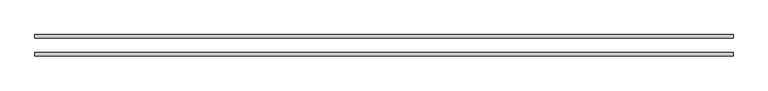
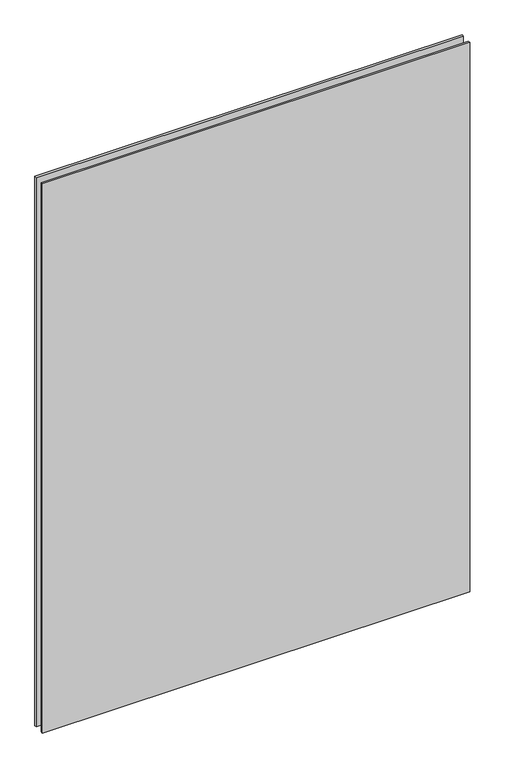
"""IFC4 building model written with IfcOpenShell, lengths in millimetres: plate geometry."""

from ifc_helpers import new_model, si_unit, origin, origin_with_axes, place, context, project, spatial, polyline, outline, extrude, source, transform, mapped, element, save


def plate_94d7abec(model_context):
    return source(origin(), model_context, "Body", "SweptSolid", [
        extrude(outline(polyline([(-975.0, 35.0), (975.0, 35.0), (975.0, 25.0), (-975.0, 25.0), (-975.0, 35.0)])), origin_with_axes(), (0.0, 0.0, 1.0), 2650.0),
        extrude(outline(polyline([(-975.0, -15.0), (975.0, -15.0), (975.0, -25.0), (-975.0, -25.0), (-975.0, -15.0)])), origin_with_axes(), (0.0, 0.0, 1.0), 2650.0),
    ])


if __name__ == "__main__":
    model = new_model("IFC4")
    model_context = context("Model", 3, world=origin())
    ifc_project = project(units=[si_unit("LENGTHUNIT", "METRE", prefix="MILLI")], contexts=[model_context])
    site = spatial("IfcSite", under=ifc_project)
    building = spatial("IfcBuilding", under=site)
    placement = place(None, origin())
    plate_shape = plate_94d7abec(model_context)
    element("IfcPlate", 1, at=placement, inside=building, context=model_context, shape_type="MappedRepresentation", body=[
        mapped(plate_shape, transform((0.0, 0.0, 0.0), x_axis=(1.0, 0.0, 0.0), y_axis=(0.0, 1.0, 0.0), z_axis=(0.0, 0.0, 1.0))),
    ])
    save(model, "model.ifc")
